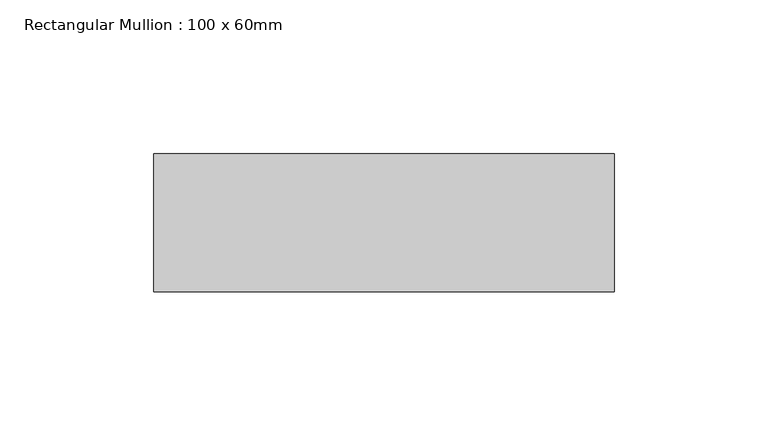
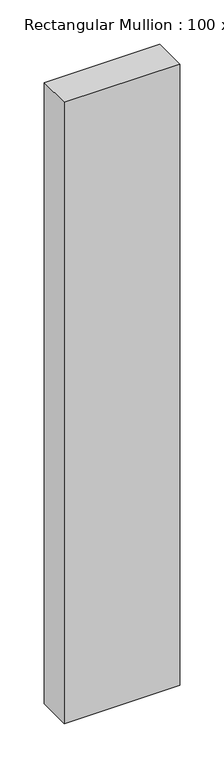
"""IFC4 building model written with IfcOpenShell, lengths in millimetres: member geometry, Rectangular Mullion : 100 x 60mm."""

from ifc_helpers import new_model, si_unit, frame, origin, place, context, project, spatial, polyline, outline, extrude, source, transform, mapped, element, save


def rectangular_mullion_100_x_60mm_e08a503c(model_context):
    return source(origin(), model_context, "Body", "SweptSolid", [
        extrude(outline(polyline([(0.0, -30.0), (-150.0, -30.0), (-150.0, 15.0), (0.0, 15.0), (0.0, -30.0)])), frame((0.0, 0.0, -854.8062955), z_axis=(0.0, 0.0, 1.0), x_axis=(1.0, 0.0, 0.0)), (0.0, 0.0, 1.0), 854.8062955),
    ])


if __name__ == "__main__":
    model = new_model("IFC4")
    model_context = context("Model", 3, world=origin())
    ifc_project = project(units=[si_unit("LENGTHUNIT", "METRE", prefix="MILLI")], contexts=[model_context])
    site = spatial("IfcSite", under=ifc_project)
    building = spatial("IfcBuilding", under=site)
    placement = place(None, origin())
    rectangular_mullion_100_x_60mm_shape = rectangular_mullion_100_x_60mm_e08a503c(model_context)
    element("IfcMember", 1, ObjectType="Rectangular Mullion : 100 x 60mm", at=placement, inside=building, context=model_context, shape_type="MappedRepresentation", body=[
        mapped(rectangular_mullion_100_x_60mm_shape, transform((0.0, 0.0, 0.0), x_axis=(1.0, 0.0, 0.0), y_axis=(0.0, 1.0, 0.0), z_axis=(0.0, 0.0, 1.0))),
    ])
    save(model, "model.ifc")
